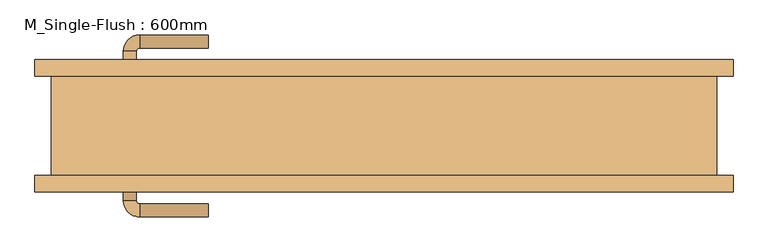
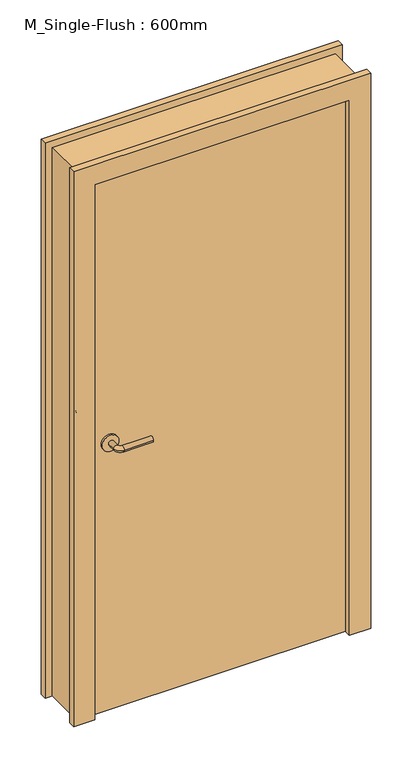
"""IFC4 building model written with IfcOpenShell, lengths in millimetres: door geometry, M_Single-Flush : 600mm."""

from ifc_helpers import new_model, si_unit, point, frame, frame_2d, origin, origin_with_axes, place, context, project, spatial, polyline, circle_curve, ellipse_curve, trimmed, segment, composite_curve, outline, extrude, source, transform, mapped, element, save
from ifc_brep_helpers import plane_surface, cylinder_surface, revolved_surface, advanced_brep


def m_single_flush_600mm_fb79f5b2(model_context):
    return source(origin(), model_context, "Body", "SolidModel", [
        advanced_brep(
        [(-399.7389046, 84.2, 1016.0), (-379.7389046, 84.2, 1016.0), (-399.7389046, 114.2, 1016.0), (-379.7389046, 114.2, 1016.0), (-374.7389046, 119.2, 1016.0), (-374.7389046, 139.2, 1016.0), (-269.7389046, 139.2, 1016.0), (-269.7389046, 119.2, 1016.0)],
        [
            (0, 1, circle_curve(frame((-389.7389046, 84.2, 1016.0), z_axis=(0.0, -1.0, 0.0), x_axis=(1.0, 0.0, 0.0)), 10.0)),
            (1, 0, circle_curve(frame((-389.7389046, 84.2, 1016.0), z_axis=(0.0, -1.0, 0.0), x_axis=(1.0, 0.0, 0.0)), 10.0)),
            (0, 2),
            (2, 3, circle_curve(frame((-389.7389046, 114.2, 1016.0), z_axis=(0.0, -1.0, 0.0), x_axis=(1.0, 0.0, 0.0)), 10.0)),
            (3, 1),
            (3, 2, circle_curve(frame((-389.7389046, 114.2, 1016.0), z_axis=(0.0, -1.0, 0.0), x_axis=(1.0, 0.0, 0.0)), 10.0)),
            (4, 3, circle_curve(frame((-374.7389046, 114.2, 1016.0), z_axis=(0.0, 0.0, 1.0), x_axis=(-1.0, 0.0, 0.0)), 5.0)),
            (2, 5, circle_curve(frame((-374.7389046, 114.2, 1016.0), z_axis=(0.0, 0.0, -1.0), x_axis=(-1.0, 0.0, 0.0)), 25.0)),
            (5, 4, circle_curve(frame((-374.7389046, 129.2, 1016.0), z_axis=(-1.0, 0.0, 0.0), x_axis=(0.0, -1.0, 0.0)), 10.0)),
            (4, 5, circle_curve(frame((-374.7389046, 129.2, 1016.0), z_axis=(-1.0, 0.0, 0.0), x_axis=(0.0, -1.0, 0.0)), 10.0)),
            (6, 7, circle_curve(frame((-269.7389046, 129.2, 1016.0), z_axis=(1.0, 0.0, 0.0), x_axis=(0.0, -1.0, 0.0)), 10.0)),
            (7, 6, circle_curve(frame((-269.7389046, 129.2, 1016.0), z_axis=(1.0, 0.0, 0.0), x_axis=(0.0, -1.0, 0.0)), 10.0)),
            (5, 6),
            (7, 4),
        ],
        [
            plane_surface(frame((-389.7389046, 84.2, 1016.0), z_axis=(0.0, -1.0, 0.0), x_axis=(0.0, 0.0, 1.0))),
            cylinder_surface(frame((-389.7389046, 84.2, 1016.0), z_axis=(0.0, -1.0, 0.0), x_axis=(1.0, 0.0, 0.0)), 10.0),
            revolved_surface(trimmed(ellipse_curve(frame((-389.7389046, 114.2, 1016.0), z_axis=(0.0, -1.0, 0.0), x_axis=(1.0, 0.0, 0.0)), 10.0, 10.0), [point((-399.7389046, 114.2, 1016.0))], [point((-379.7389046, 114.2, 1016.0))], True, "CARTESIAN"), (-374.7389046, 114.2, 1016.0), (0.0, 0.0, -1.0)),
            revolved_surface(trimmed(ellipse_curve(frame((-389.7389046, 114.2, 1016.0), z_axis=(0.0, -1.0, 0.0), x_axis=(1.0, 0.0, 0.0)), 10.0, 10.0), [point((-379.7389046, 114.2, 1016.0))], [point((-399.7389046, 114.2, 1016.0))], True, "CARTESIAN"), (-374.7389046, 114.2, 1016.0), (0.0, 0.0, -1.0)),
            plane_surface(frame((-269.7389046, 129.2, 1016.0), z_axis=(1.0, 0.0, 0.0), x_axis=(0.0, 0.0, 1.0))),
            cylinder_surface(frame((-374.7389046, 129.2, 1016.0), z_axis=(-1.0, 0.0, 0.0), x_axis=(0.0, -1.0, 0.0)), 10.0),
        ],
        [
            (0, [[1, 2]]),
            (1, [[-1, 3, 4, 5]]),
            (1, [[-2, -5, 6, -3]]),
            (2, [[7, -4, 8, 9]]),
            (3, [[-8, -6, -7, 10]]),
            (4, [[11, 12]]),
            (5, [[-9, 13, -12, 14]]),
            (5, [[-10, -14, -11, -13]]),
        ],
    ),
        extrude(outline(composite_curve([segment(trimmed(circle_curve(frame_2d((1016.0, -392.2389046)), 30.0), [point((1016.0, -422.2389046))], [point((1016.0, -362.2389046))], False, "CARTESIAN"), True, "CONTINUOUS"), segment(trimmed(circle_curve(frame_2d((1016.0, -392.2389046)), 30.0), [point((1016.0, -362.2389046))], [point((1016.0, -422.2389046))], False, "CARTESIAN"), True, "CONTINUOUS")], self_intersect=False)), frame((0.0, 76.2, 0.0), z_axis=(0.0, 1.0, 0.0), x_axis=(0.0, 0.0, 1.0)), (0.0, 0.0, 1.0), 8.0),
        advanced_brep(
        [(-399.7389046, -84.2, 1016.0), (-379.7389046, -84.2, 1016.0), (-379.7389046, -114.2, 1016.0), (-399.7389046, -114.2, 1016.0), (-374.7389046, -119.2, 1016.0), (-374.7389046, -139.2, 1016.0), (-269.7389046, -139.2, 1016.0), (-269.7389046, -119.2, 1016.0)],
        [
            (0, 1, circle_curve(frame((-389.7389046, -84.2, 1016.0), z_axis=(0.0, 1.0, 0.0), x_axis=(1.0, 0.0, 0.0)), 10.0)),
            (1, 0, circle_curve(frame((-389.7389046, -84.2, 1016.0), z_axis=(0.0, 1.0, 0.0), x_axis=(1.0, 0.0, 0.0)), 10.0)),
            (1, 2),
            (2, 3, circle_curve(frame((-389.7389046, -114.2, 1016.0), z_axis=(0.0, 1.0, 0.0), x_axis=(1.0, 0.0, 0.0)), 10.0)),
            (3, 0),
            (3, 2, circle_curve(frame((-389.7389046, -114.2, 1016.0), z_axis=(0.0, 1.0, 0.0), x_axis=(1.0, 0.0, 0.0)), 10.0)),
            (4, 5, circle_curve(frame((-374.7389046, -129.2, 1016.0), z_axis=(-1.0, 0.0, 0.0), x_axis=(0.0, 1.0, 0.0)), 10.0)),
            (5, 3, circle_curve(frame((-374.7389046, -114.2, 1016.0), z_axis=(0.0, 0.0, -1.0), x_axis=(-1.0, 0.0, 0.0)), 25.0)),
            (2, 4, circle_curve(frame((-374.7389046, -114.2, 1016.0), z_axis=(0.0, 0.0, 1.0), x_axis=(-1.0, 0.0, 0.0)), 5.0)),
            (5, 4, circle_curve(frame((-374.7389046, -129.2, 1016.0), z_axis=(-1.0, 0.0, 0.0), x_axis=(0.0, 1.0, 0.0)), 10.0)),
            (6, 7, circle_curve(frame((-269.7389046, -129.2, 1016.0), z_axis=(1.0, 0.0, 0.0), x_axis=(0.0, 1.0, 0.0)), 10.0)),
            (7, 6, circle_curve(frame((-269.7389046, -129.2, 1016.0), z_axis=(1.0, 0.0, 0.0), x_axis=(0.0, 1.0, 0.0)), 10.0)),
            (4, 7),
            (6, 5),
        ],
        [
            plane_surface(frame((-389.7389046, -84.2, 1016.0), z_axis=(0.0, 1.0, 0.0), x_axis=(0.0, 0.0, 1.0))),
            cylinder_surface(frame((-389.7389046, -84.2, 1016.0), z_axis=(0.0, 1.0, 0.0), x_axis=(1.0, 0.0, 0.0)), 10.0),
            revolved_surface(trimmed(ellipse_curve(frame((-389.7389046, -114.2, 1016.0), z_axis=(0.0, -1.0, 0.0), x_axis=(1.0, 0.0, 0.0)), 10.0, 10.0), [point((-399.7389046, -114.2, 1016.0))], [point((-379.7389046, -114.2, 1016.0))], True, "CARTESIAN"), (-374.7389046, -114.2, 1016.0), (0.0, 0.0, -1.0)),
            revolved_surface(trimmed(ellipse_curve(frame((-389.7389046, -114.2, 1016.0), z_axis=(0.0, -1.0, 0.0), x_axis=(1.0, 0.0, 0.0)), 10.0, 10.0), [point((-379.7389046, -114.2, 1016.0))], [point((-399.7389046, -114.2, 1016.0))], True, "CARTESIAN"), (-374.7389046, -114.2, 1016.0), (0.0, 0.0, -1.0)),
            plane_surface(frame((-269.7389046, -129.2, 1016.0), z_axis=(1.0, 0.0, 0.0), x_axis=(0.0, 0.0, 1.0))),
            cylinder_surface(frame((-374.7389046, -129.2, 1016.0), z_axis=(-1.0, 0.0, 0.0), x_axis=(0.0, 1.0, 0.0)), 10.0),
        ],
        [
            (0, [[1, 2]]),
            (1, [[3, 4, 5, -2]]),
            (1, [[-5, 6, -3, -1]]),
            (2, [[7, 8, -4, 9]]),
            (3, [[10, -9, -6, -8]]),
            (4, [[11, 12]]),
            (5, [[13, -11, 14, -7]]),
            (5, [[-14, -12, -13, -10]]),
        ],
    ),
        extrude(outline(composite_curve([segment(trimmed(circle_curve(frame_2d((1016.0, -392.2389046)), 30.0), [point((1016.0, -422.2389046))], [point((1016.0, -362.2389046))], False, "CARTESIAN"), True, "CONTINUOUS"), segment(trimmed(circle_curve(frame_2d((1016.0, -392.2389046)), 30.0), [point((1016.0, -362.2389046))], [point((1016.0, -422.2389046))], False, "CARTESIAN"), True, "CONTINUOUS")], self_intersect=False)), frame((0.0, -84.2, 0.0), z_axis=(0.0, 1.0, 0.0), x_axis=(0.0, 0.0, 1.0)), (0.0, 0.0, 1.0), 8.0),
        extrude(outline(polyline([(2108.0, -534.7482796), (0.0, -534.7482796), (0.0, -458.7482796), (2032.0, -458.7482796), (2032.0, 455.6517204), (0.0, 455.6517204), (0.0, 531.6517204), (2108.0, 531.6517204), (2108.0, -534.7482796)])), frame((0.0, -101.2, 0.0), z_axis=(0.0, 1.0, 0.0), x_axis=(0.0, 0.0, 1.0)), (0.0, 0.0, 1.0), 25.0),
        extrude(outline(polyline([(2108.0, 531.6517204), (2108.0, -534.7482796), (0.0, -534.7482796), (0.0, -458.7482796), (2032.0, -458.7482796), (2032.0, 455.6517204), (0.0, 455.6517204), (0.0, 531.6517204), (2108.0, 531.6517204)])), frame((0.0, 76.2, 0.0), z_axis=(0.0, 1.0, 0.0), x_axis=(0.0, 0.0, 1.0)), (0.0, 0.0, 1.0), 25.0),
        extrude(outline(polyline([(455.6517204, 76.2), (455.6517204, -76.2), (-458.7482796, -76.2), (-458.7482796, 76.2), (455.6517204, 76.2)])), origin_with_axes(), (0.0, 0.0, 1.0), 2032.0),
        extrude(outline(polyline([(0.0, 506.6517204), (2083.0, 506.6517204), (2083.0, -509.7482796), (0.0, -509.7482796), (0.0, -458.7482796), (2032.0, -458.7482796), (2032.0, 455.6517204), (0.0, 455.6517204), (0.0, 506.6517204)])), frame((0.0, -76.2, 0.0), z_axis=(0.0, 1.0, 0.0), x_axis=(0.0, 0.0, 1.0)), (0.0, 0.0, 1.0), 152.4),
    ])


if __name__ == "__main__":
    model = new_model("IFC4")
    model_context = context("Model", 3, world=origin())
    ifc_project = project(units=[si_unit("LENGTHUNIT", "METRE", prefix="MILLI")], contexts=[model_context])
    site = spatial("IfcSite", under=ifc_project)
    building = spatial("IfcBuilding", under=site)
    placement = place(None, origin())
    m_single_flush_600mm_shape = m_single_flush_600mm_fb79f5b2(model_context)
    element("IfcDoor", 1, ObjectType="M_Single-Flush : 600mm", at=placement, inside=building, context=model_context, shape_type="MappedRepresentation", body=[
        mapped(m_single_flush_600mm_shape, transform((0.0, 0.0, 0.0), x_axis=(1.0, 0.0, 0.0), y_axis=(0.0, 1.0, 0.0), z_axis=(0.0, 0.0, 1.0))),
    ])
    save(model, "model.ifc")
